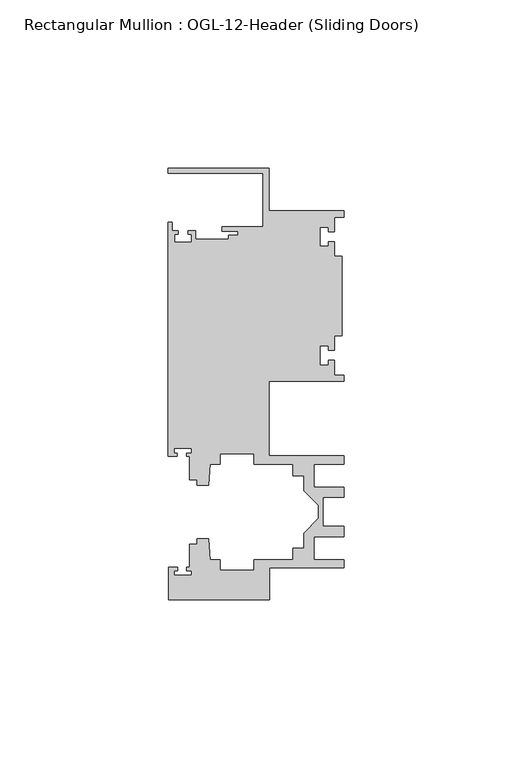
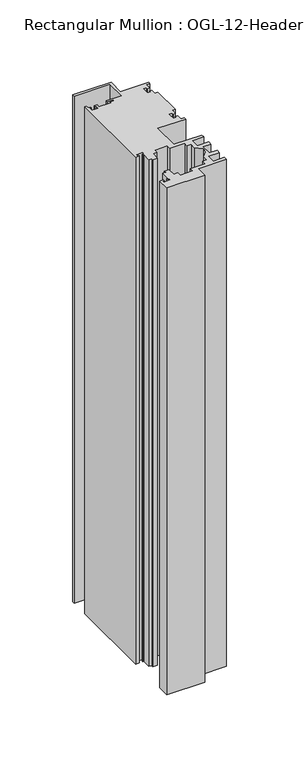
"""IFC4 building model written with IfcOpenShell, lengths in millimetres: member geometry, Rectangular Mullion : OGL-12-Header (Sliding Doors)."""

from ifc_helpers import new_model, si_unit, frame, origin, place, context, project, spatial, polyline, outline, extrude, source, transform, mapped, element, save


def rectangular_mullion_ogl_12_header_sliding_doors_5e5f58a9(model_context):
    return source(origin(), model_context, "Body", "SweptSolid", [
        extrude(outline(polyline([(0.0, 25.4), (0.0, 23.488176), (-2.740223, 23.488176), (-2.740223, 19.1395859), (-4.5407068, 19.1395859), (-4.5407068, 20.5271706), (-7.0406862, 20.5271706), (-7.0406862, 14.7651725), (-4.5407047, 14.7651725), (-4.5407047, 16.1605952), (-2.740223, 16.1605952), (-2.740223, 11.8041704), (-0.508, 11.8041704), (-0.508, -11.8041704), (-2.740223, -11.8041704), (-2.740223, -16.1605952), (-4.5407047, -16.1605952), (-4.5407047, -14.7651725), (-7.0406862, -14.7651725), (-7.0406862, -20.5271706), (-4.5407068, -20.5271706), (-4.5407068, -19.1395859), (-2.740223, -19.1395859), (-2.740223, -23.488176), (0.0, -23.488176), (0.0, -25.4), (-22.2332898, -25.4), (-22.2332898, -47.513352), (-0.0082575, -47.513352), (-0.0082575, -50.013352), (-8.8582575, -50.013352), (-8.8582575, -56.8562795), (-0.0082575, -56.8562795), (-0.0082575, -59.8562795), (-6.1582575, -59.8562795), (-6.1582575, -68.5325565), (-0.0082575, -68.5325565), (-0.0082575, -71.5325565), (-8.8582575, -71.5325565), (-8.8582575, -78.375484), (-0.0082575, -78.375484), (-0.0082575, -80.875484), (-22.2032575, -80.875484), (-22.2032575, -90.3252352), (-52.2095715, -90.3252352), (-52.2095715, -80.7425364), (-49.5692346, -80.7425364), (-49.5692346, -81.7156466), (-50.6220715, -81.7156466), (-50.6220715, -83.0934363), (-45.3220715, -83.0934363), (-45.3220715, -81.7156466), (-46.8181909, -81.7156466), (-46.8181909, -80.7425364), (-45.9710366, -80.7425364), (-45.9710366, -73.7629518), (-43.7582575, -73.7629518), (-43.7582575, -72.175484), (-40.3395523, -72.175484), (-39.7961967, -78.3860669), (-36.8419772, -78.3860669), (-36.8419772, -81.550484), (-26.7462575, -81.550484), (-26.7462575, -78.375484), (-15.0768765, -78.375484), (-15.0768765, -74.975484), (-11.8582575, -74.975484), (-11.8582575, -70.4941892), (-7.4980859, -66.1340176), (-7.4980859, -62.2548184), (-11.8582575, -57.8946468), (-11.8582575, -53.413352), (-15.0768765, -53.413352), (-15.0768765, -50.013352), (-26.7462575, -50.013352), (-26.7462575, -46.838352), (-36.8419772, -46.838352), (-36.8419772, -50.0027691), (-39.7961967, -50.0027691), (-40.3395523, -56.213352), (-43.7582575, -56.213352), (-43.7582575, -54.6622994), (-45.9710366, -54.6622994), (-45.9710366, -47.583496), (-46.769305, -47.583496), (-46.769305, -46.7096046), (-45.3220715, -46.7096046), (-45.3220715, -45.3318149), (-50.6220715, -45.3318149), (-50.6220715, -46.7096046), (-49.5910554, -46.7096046), (-49.5910554, -47.583496), (-52.3921824, -47.583496), (-52.3921824, 21.9710976), (-51.1362531, 21.9710976), (-51.1362531, 19.4824275), (-49.3568347, 19.4824275), (-49.3568347, 18.4751625), (-50.359397, 18.4751625), (-50.359397, 15.9751675), (-45.359407, 15.9751675), (-45.359407, 18.4751625), (-46.3304245, 18.4751625), (-46.3304245, 19.4824275), (-44.1094055, 19.4824275), (-44.1094055, 16.8641675), (-34.2833684, 16.8641675), (-34.2833684, 18.1510261), (-31.5444935, 18.1510261), (-31.5444935, 19.3006707), (-36.2104247, 19.3006707), (-36.2104247, 20.5916734), (-24.0747898, 20.5916734), (-24.0747898, 36.512516), (-52.3921824, 36.512516), (-52.3921824, 38.0996792), (-22.2332898, 38.0996792), (-22.2332898, 25.4), (0.0, 25.4)])), frame((0.0, 0.0, -423.8660402), z_axis=(0.0, 0.0, 1.0), x_axis=(1.0, 0.0, 0.0)), (0.0, 0.0, 1.0), 423.8660402),
    ])


if __name__ == "__main__":
    model = new_model("IFC4")
    model_context = context("Model", 3, world=origin())
    ifc_project = project(units=[si_unit("LENGTHUNIT", "METRE", prefix="MILLI")], contexts=[model_context])
    site = spatial("IfcSite", under=ifc_project)
    building = spatial("IfcBuilding", under=site)
    placement = place(None, origin())
    rectangular_mullion_ogl_12_header_sliding_doors_shape = rectangular_mullion_ogl_12_header_sliding_doors_5e5f58a9(model_context)
    element("IfcMember", 1, ObjectType="Rectangular Mullion : OGL-12-Header (Sliding Doors)", at=placement, inside=building, context=model_context, shape_type="MappedRepresentation", body=[
        mapped(rectangular_mullion_ogl_12_header_sliding_doors_shape, transform((0.0, 0.0, 0.0), x_axis=(1.0, 0.0, 0.0), y_axis=(0.0, 1.0, 0.0), z_axis=(0.0, 0.0, 1.0))),
    ])
    save(model, "model.ifc")
